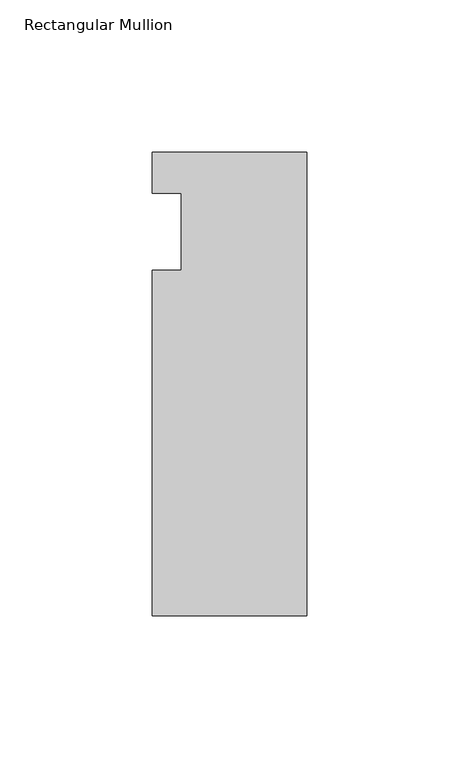
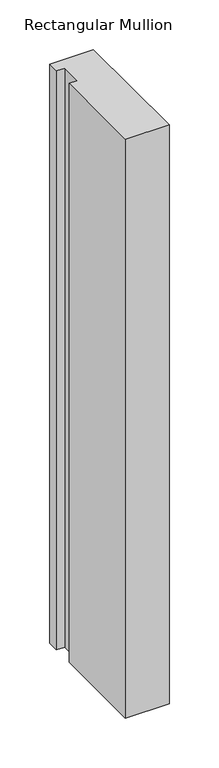
"""IFC4 building model written with IfcOpenShell, lengths in millimetres: member geometry, Rectangular Mullion."""

from ifc_helpers import new_model, si_unit, frame, origin, place, context, project, spatial, polyline, outline, extrude, source, transform, mapped, element, save


def rectangular_mullion_c2d2fcee(model_context):
    return source(origin(), model_context, "Body", "SweptSolid", [
        extrude(outline(polyline([(0.0, 26.19375), (0.0, -126.20625), (-50.8, -126.20625), (-50.8, -12.7), (-41.275, -12.7), (-41.275, 12.7), (-50.8, 12.7), (-50.8, 26.19375), (0.0, 26.19375)])), frame((0.0, 0.0, -711.2), z_axis=(0.0, 0.0, 1.0), x_axis=(1.0, 0.0, 0.0)), (0.0, 0.0, 1.0), 711.2),
    ])


if __name__ == "__main__":
    model = new_model("IFC4")
    model_context = context("Model", 3, world=origin())
    ifc_project = project(units=[si_unit("LENGTHUNIT", "METRE", prefix="MILLI")], contexts=[model_context])
    site = spatial("IfcSite", under=ifc_project)
    building = spatial("IfcBuilding", under=site)
    placement = place(None, origin())
    rectangular_mullion_shape = rectangular_mullion_c2d2fcee(model_context)
    element("IfcMember", 1, ObjectType="Rectangular Mullion", at=placement, inside=building, context=model_context, shape_type="MappedRepresentation", body=[
        mapped(rectangular_mullion_shape, transform((0.0, 0.0, 0.0), x_axis=(1.0, 0.0, 0.0), y_axis=(0.0, 1.0, 0.0), z_axis=(0.0, 0.0, 1.0))),
    ])
    save(model, "model.ifc")
